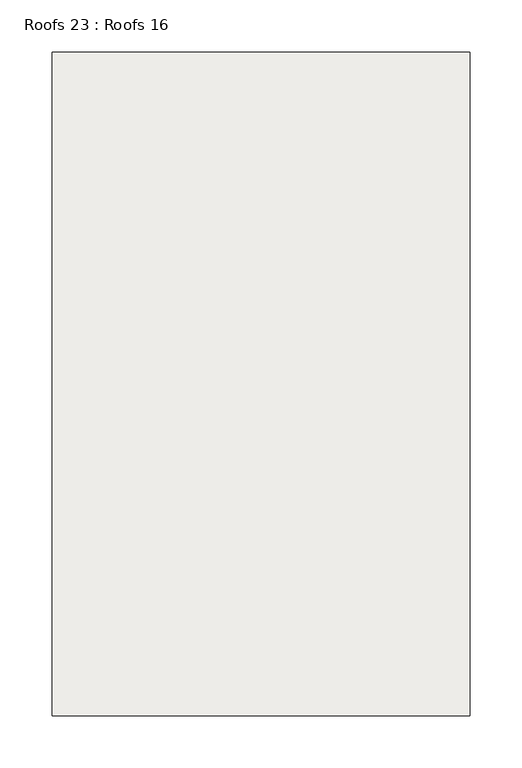
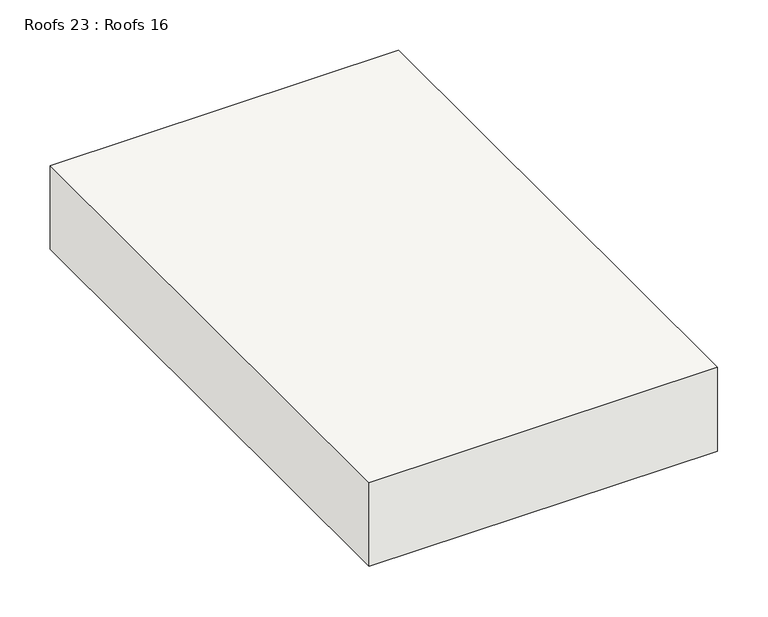
"""IFC4 building model written with IfcOpenShell, lengths in millimetres: roof geometry, Roofs 23 : Roofs 16."""

from ifc_helpers import new_model, si_unit, frame, origin, place, context, project, spatial, polyline, outline, extrude, source, transform, mapped, element, save


def roofs_23_roofs_16_5fab12ff(model_context):
    return source(origin(), model_context, "Body", "SweptSolid", [
        extrude(outline(polyline([(-25942.7603773, 27422.3698813), (-26342.8103773, 27422.3698813), (-26342.8103773, 28057.3698813), (-25942.7603773, 28057.3698813), (-25942.7603773, 27422.3698813)])), frame((0.0, 0.0, -1770.5953473), z_axis=(0.0, 0.0, 1.0), x_axis=(1.0, 0.0, 0.0)), (0.0, 0.0, 1.0), 101.6),
    ])


if __name__ == "__main__":
    model = new_model("IFC4")
    model_context = context("Model", 3, world=origin())
    ifc_project = project(units=[si_unit("LENGTHUNIT", "METRE", prefix="MILLI")], contexts=[model_context])
    site = spatial("IfcSite", under=ifc_project)
    building = spatial("IfcBuilding", under=site)
    placement = place(None, origin())
    roofs_23_roofs_16_shape = roofs_23_roofs_16_5fab12ff(model_context)
    element("IfcRoof", 1, ObjectType="Roofs 23 : Roofs 16", at=placement, inside=building, context=model_context, shape_type="MappedRepresentation", body=[
        mapped(roofs_23_roofs_16_shape, transform((0.0, 0.0, 0.0), x_axis=(1.0, 0.0, 0.0), y_axis=(0.0, 1.0, 0.0), z_axis=(0.0, 0.0, 1.0))),
    ])
    save(model, "model.ifc")
